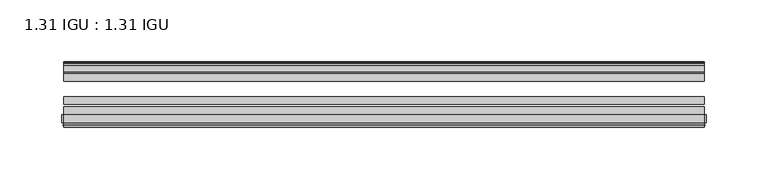
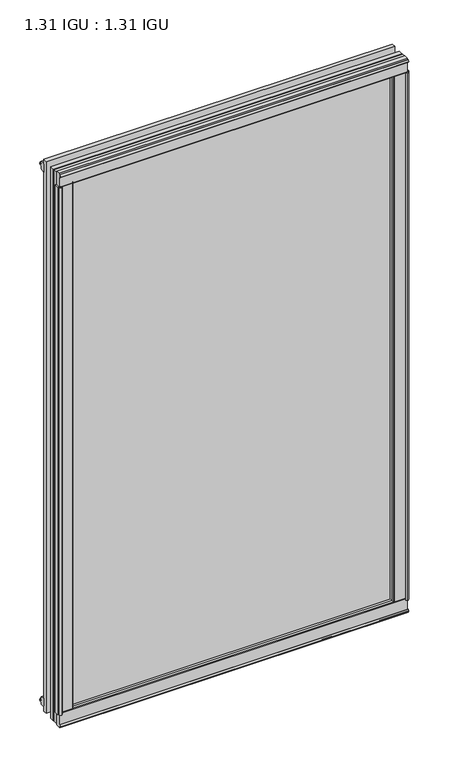
"""IFC4 building model written with IfcOpenShell, lengths in millimetres: plate geometry, 1.31 IGU : 1.31 IGU."""

import ifcopenshell
import ifcopenshell.guid

model = None  # the IFC model being written
_history = None  # IfcOwnerHistory: only IFC2X3 demands one
_inside = {}  # id of a spatial element -> (the spatial element, [elements in it])
_under = {}  # id of a project, library or spatial element -> (it, [spatial elements below it])
_declared = {}  # id of a project -> (the project, [libraries it declares])
_typed = {}  # id of a type object -> (the type object, [elements of that type])
_made_of = {}  # id of a material, layer set ... -> (it, [elements and type objects made of it])


def new_model(schema):
    """Start an empty IFC model of exactly this schema.

    Asked for "IFC4X3", IfcOpenShell would pick the latest addendum, in which some entities
    have other attributes; the version numbers below select the first issue.
    IFC2X3 requires an IfcOwnerHistory on every rooted entity: one is made here for all.
    """
    global model, _history
    if schema == "IFC4X3":
        model = ifcopenshell.file(schema_version=(4, 3, 0, 0))
    else:
        model = ifcopenshell.file(schema=schema)
    _inside.clear()
    _under.clear()
    _declared.clear()
    _typed.clear()
    _made_of.clear()
    _history = None
    if model.schema == "IFC2X3":
        org = make("IfcOrganization", Name="unknown")
        user = make(
            "IfcPersonAndOrganization",
            ThePerson=make("IfcPerson", FamilyName="unknown"),
            TheOrganization=org,
        )
        app = make(
            "IfcApplication",
            ApplicationDeveloper=org,
            Version="unknown",
            ApplicationFullName="unknown",
            ApplicationIdentifier="unknown",
        )
        _history = make(
            "IfcOwnerHistory",
            OwningUser=user,
            OwningApplication=app,
            ChangeAction="ADDED",
            CreationDate=0,
        )
    return model


def make(cls, **values):
    """One entity of the class cls with the attributes given. An attribute that is None is left unset."""
    return model.create_entity(
        cls, **{name: value for name, value in values.items() if value is not None}
    )


def rooted(cls, **values):
    """An entity with a GlobalId (a new one), such as an element, a storey or a relation."""
    return make(cls, GlobalId=ifcopenshell.guid.new(), OwnerHistory=_history, **values)


def si_unit(unit_type, name, prefix=None):
    """IfcSIUnit, for example si_unit("LENGTHUNIT", "METRE", prefix="MILLI")."""
    return make("IfcSIUnit", UnitType=unit_type, Prefix=prefix, Name=name)


def assignment(units):
    """IfcUnitAssignment: the units of a project."""
    return None if units is None else make("IfcUnitAssignment", Units=units)


def point(xyz):
    """IfcCartesianPoint."""
    return None if xyz is None else make("IfcCartesianPoint", Coordinates=xyz)


def direction(xyz):
    """IfcDirection."""
    return None if xyz is None else make("IfcDirection", DirectionRatios=xyz)


def frame(location, z_axis=None, x_axis=None):
    """IfcAxis2Placement3D, a coordinate frame: its origin and axes. An axis left out is left unset."""
    return make(
        "IfcAxis2Placement3D",
        Location=point(location),
        Axis=direction(z_axis),
        RefDirection=direction(x_axis),
    )


def frame_2d(location, x_axis=None):
    """IfcAxis2Placement2D, a coordinate frame in the plane: its origin and x axis."""
    return make(
        "IfcAxis2Placement2D", Location=point(location), RefDirection=direction(x_axis)
    )


def origin():
    """The frame at (0, 0, 0) with its axes left unset."""
    return frame((0.0, 0.0, 0.0))


def origin_with_axes():
    """The frame at (0, 0, 0) with the z axis (0, 0, 1) and the x axis (1, 0, 0) written out."""
    return frame((0.0, 0.0, 0.0), z_axis=(0.0, 0.0, 1.0), x_axis=(1.0, 0.0, 0.0))


def place(relative_to, where):
    """IfcLocalPlacement: puts the frame where relative to a parent placement (None: the world)."""
    return make(
        "IfcLocalPlacement", PlacementRelTo=relative_to, RelativePlacement=where
    )


def context(
    kind, dimensions, precision=None, world=None, true_north=None, identifier=None
):
    """IfcGeometricRepresentationContext, for example the 3D "Model" context."""
    return make(
        "IfcGeometricRepresentationContext",
        ContextIdentifier=identifier,
        ContextType=kind,
        CoordinateSpaceDimension=dimensions,
        Precision=precision,
        WorldCoordinateSystem=world,
        TrueNorth=true_north,
    )


def project(units=None, contexts=None):
    """IfcProject with its units and contexts."""
    return rooted(
        "IfcProject",
        Name="project",
        RepresentationContexts=contexts,
        UnitsInContext=assignment(units),
    )


def spatial(cls, under=None, at=None, **own):
    """A site, building, storey or space (cls), placed at a placement, below another one or the project."""
    s = rooted(cls, ObjectPlacement=at, **own)
    if under is not None:
        _under.setdefault(under.id(), (under, []))[1].append(s)
    return s


def polyline(points):
    """IfcPolyline through the points."""
    return make("IfcPolyline", Points=[point(p) for p in points])


def circle_curve(where, radius):
    """IfcCircle in the frame where."""
    return make("IfcCircle", Position=where, Radius=radius)


def trimmed(basis, trim1, trim2, sense, master):
    """IfcTrimmedCurve: the piece of a basis curve between two trims."""
    return make(
        "IfcTrimmedCurve",
        BasisCurve=basis,
        Trim1=trim1,
        Trim2=trim2,
        SenseAgreement=sense,
        MasterRepresentation=master,
    )


def segment(curve, same_sense, transition):
    """IfcCompositeCurveSegment."""
    return make(
        "IfcCompositeCurveSegment",
        Transition=transition,
        SameSense=same_sense,
        ParentCurve=curve,
    )


def composite_curve(segments, self_intersect=None):
    """IfcCompositeCurve: segments joined end to end."""
    return make("IfcCompositeCurve", Segments=segments, SelfIntersect=self_intersect)


def outline(outer, holes=None, kind="AREA"):
    """IfcArbitraryClosedProfileDef: a profile drawn as a closed curve; with holes, ...WithVoids."""
    if holes is None:
        return make("IfcArbitraryClosedProfileDef", ProfileType=kind, OuterCurve=outer)
    return make(
        "IfcArbitraryProfileDefWithVoids",
        ProfileType=kind,
        OuterCurve=outer,
        InnerCurves=holes,
    )


def extrude(swept, where, along, depth):
    """IfcExtrudedAreaSolid: the profile swept, set in the frame where, extruded along a direction by depth."""
    return make(
        "IfcExtrudedAreaSolid",
        SweptArea=swept,
        Position=where,
        ExtrudedDirection=direction(along),
        Depth=depth,
    )


def shape(context_of_items, identifier, shape_type, items):
    """IfcShapeRepresentation: the items that make up one representation, for example the "Body"."""
    return make(
        "IfcShapeRepresentation",
        ContextOfItems=context_of_items,
        RepresentationIdentifier=identifier,
        RepresentationType=shape_type,
        Items=items,
    )


def source(mapping_origin, context_of_items, identifier, shape_type, items):
    """IfcRepresentationMap: a shape defined once, which mapped items show again and again."""
    return make(
        "IfcRepresentationMap",
        MappingOrigin=mapping_origin,
        MappedRepresentation=shape(context_of_items, identifier, shape_type, items),
    )


def transform(
    local_origin,
    x_axis=None,
    y_axis=None,
    z_axis=None,
    scale=None,
    scale2=None,
    scale3=None,
    uniform=True,
):
    """IfcCartesianTransformationOperator3D, or its non-uniform kind. x_axis, y_axis, z_axis: its Axis1, 2, 3."""
    if uniform:
        return make(
            "IfcCartesianTransformationOperator3D",
            Axis1=direction(x_axis),
            Axis2=direction(y_axis),
            LocalOrigin=point(local_origin),
            Scale=scale,
            Axis3=direction(z_axis),
        )
    return make(
        "IfcCartesianTransformationOperator3DnonUniform",
        Axis1=direction(x_axis),
        Axis2=direction(y_axis),
        LocalOrigin=point(local_origin),
        Scale=scale,
        Axis3=direction(z_axis),
        Scale2=scale2,
        Scale3=scale3,
    )


def mapped(mapping_source, mapping_target):
    """IfcMappedItem: shows the shape of a source again, moved by a transform."""
    return make(
        "IfcMappedItem", MappingSource=mapping_source, MappingTarget=mapping_target
    )


def made_of(thing, what):
    """Note that an element or type object is made of a material, layer set ...; save() writes the relation."""
    if what is not None:
        _made_of.setdefault(what.id(), (what, []))[1].append(thing)
    return thing


def element(
    cls,
    number,
    at=None,
    inside=None,
    cuts=None,
    type_object=None,
    material=None,
    context=None,
    identifier="Body",
    shape_type=None,
    held_by="IfcProductDefinitionShape",
    body=None,
    shapes=None,
    **own,
):
    """One element of the class cls, such as IfcWall. Its Tag is "e" and its number.

    at: its placement. inside: the storey or other place that contains it. cuts: it is an
    opening in that element (IfcRelVoidsElement). A single representation is given by context,
    identifier, shape_type and body (its items); several are given by shapes. held_by: the class
    of the entity that holds the representations. save() writes the other relations.
    """
    e = rooted(cls, Tag="e%d" % number, ObjectPlacement=at, **own)
    if body is not None:
        shapes = [shape(context, identifier, shape_type, body)]
    if shapes is not None:
        e.Representation = make(held_by, Representations=shapes)
    if inside is not None:
        _inside.setdefault(inside.id(), (inside, []))[1].append(e)
    if cuts is not None:
        rooted(
            "IfcRelVoidsElement", RelatingBuildingElement=cuts, RelatedOpeningElement=e
        )
    if type_object is not None:
        _typed.setdefault(type_object.id(), (type_object, []))[1].append(e)
    return made_of(e, material)


def aggregate(whole, parts):
    """IfcRelAggregates: a whole, such as a stair, and the parts it consists of."""
    return rooted("IfcRelAggregates", RelatingObject=whole, RelatedObjects=parts)


def save(model, path):
    """Write the relations noted so far, then the file.

    IfcRelAggregates (storeys below a building ...), IfcRelContainedInSpatialStructure (elements
    in a storey), IfcRelDefinesByType, IfcRelAssociatesMaterial and IfcRelDeclares: one each for
    every whole, place, type object, material and project.
    """
    for whole, parts in _under.values():
        aggregate(whole, parts)
    for where, things in _inside.values():
        rooted(
            "IfcRelContainedInSpatialStructure",
            RelatedElements=things,
            RelatingStructure=where,
        )
    for kind, things in _typed.values():
        rooted("IfcRelDefinesByType", RelatedObjects=things, RelatingType=kind)
    for what, things in _made_of.values():
        rooted("IfcRelAssociatesMaterial", RelatedObjects=things, RelatingMaterial=what)
    for by, libraries in _declared.values():
        rooted("IfcRelDeclares", RelatingContext=by, RelatedDefinitions=libraries)
    model.write(path)


def plate_1_31_igu_1_31_igu_145a5600(model_context):
    return source(origin(), model_context, "Body", "SweptSolid", [
        extrude(outline(polyline([(247.1273568, -11.1943457), (245.7253235, -11.5700195), (245.4952333, -10.7113114), (247.9082333, -10.06475), (250.3212333, -10.7113114), (250.0911432, -11.5700195), (248.6891098, -11.1943457), (249.3052333, -13.49375), (252.9838074, -13.49375), (252.9838074, -18.1284104), (251.5551628, -19.84375), (239.8424921, -19.84375), (241.5582333, -13.49375), (246.5112333, -13.49375), (247.1273568, -11.1943457)])), origin_with_axes(), (0.0, 0.0, 1.0), 831.85),
        extrude(outline(polyline([(-247.1273568, -11.1943457), (-246.5112333, -13.49375), (-241.5582333, -13.49375), (-239.8424921, -19.84375), (-251.5551628, -19.84375), (-252.9838074, -18.1284104), (-252.9838074, -13.49375), (-249.3052333, -13.49375), (-248.6891098, -11.1943457), (-250.0911432, -11.5700195), (-250.3212333, -10.7113114), (-247.9082333, -10.06475), (-245.4952333, -10.7113114), (-245.7253235, -11.5700195), (-247.1273568, -11.1943457)])), origin_with_axes(), (0.0, 0.0, 1.0), 831.85),
        extrude(outline(polyline([(-13.49375, -5.7276998), (-11.1943457, -6.3438233), (-11.5700195, -4.9417899), (-10.7113114, -4.7116998), (-10.06475, -7.1246998), (-10.7113114, -9.5376998), (-11.5700195, -9.3076097), (-11.1943457, -7.9055763), (-13.49375, -8.5216998), (-13.49375, -12.2002739), (-18.1284104, -12.2002739), (-19.84375, -10.7716292), (-19.84375, 0.9410414), (-13.49375, -0.7746998), (-13.49375, -5.7276998)])), frame((-259.8208333, 0.0, 0.0), z_axis=(1.0, 0.0, 0.0), x_axis=(0.0, 1.0, 0.0)), (0.0, 0.0, 1.0), 519.6416667),
        extrude(outline(composite_curve([segment(polyline([(-55.9719113, 2.457708), (-53.16855, 3.0868452), (-53.16855, -20.9097918), (-59.51855, -20.9097918), (-59.51855, -18.6868471), (-62.0391488, -18.0752025), (-61.5965021, -19.0933159), (-61.5965021, -19.98942), (-63.2729251, -17.4063265), (-61.3290281, -15.2058028), (-61.3290281, -16.0360741), (-61.9417436, -16.9618553), (-59.51855, -16.8077164), (-59.51855, 0.6826418)]), True, "CONTINUOUS"), segment(trimmed(circle_curve(frame_2d((-58.24855, 0.6826418)), 1.27), [point((-59.51855, 0.6826418))], [point((-58.6007815, 1.9028193))], False, "CARTESIAN"), True, "CONTINUOUS"), segment(polyline([(-58.6007815, 1.9028193), (-55.9719113, 2.457708)]), True, "CONTINUOUS")], self_intersect=False)), frame((-259.8208333, 0.0, 0.0), z_axis=(1.0, 0.0, 0.0), x_axis=(0.0, 1.0, 0.0)), (0.0, 0.0, 1.0), 519.6416667),
        extrude(outline(polyline([(-13.49375, 837.5776998), (-13.49375, 832.6246998), (-19.84375, 830.9089586), (-19.84375, 842.6216292), (-18.1284104, 844.0502739), (-13.49375, 844.0502739), (-13.49375, 840.3716998), (-11.1943457, 839.7555763), (-11.5700195, 841.1576097), (-10.7113114, 841.3876998), (-10.06475, 838.9746998), (-10.7113114, 836.5616998), (-11.5700195, 836.7917899), (-11.1943457, 838.1938233), (-13.49375, 837.5776998)])), frame((-259.8208333, 0.0, 0.0), z_axis=(1.0, 0.0, 0.0), x_axis=(0.0, 1.0, 0.0)), (0.0, 0.0, 1.0), 519.6416667),
        extrude(outline(composite_curve([segment(polyline([(-55.9719113, 829.392292), (-58.6007815, 829.9471807)]), True, "CONTINUOUS"), segment(trimmed(circle_curve(frame_2d((-58.24855, 831.1673582)), 1.27), [point((-58.6007815, 829.9471807))], [point((-59.51855, 831.1673582))], False, "CARTESIAN"), True, "CONTINUOUS"), segment(polyline([(-59.51855, 831.1673582), (-59.51855, 848.6577164), (-61.9417436, 848.8118553), (-61.3290281, 847.8860741), (-61.3290281, 847.0558028), (-63.2729251, 849.2563265), (-61.5965021, 851.83942), (-61.5965021, 850.9433159), (-62.0391488, 849.9252025), (-59.51855, 850.5368471), (-59.51855, 852.7597918), (-53.16855, 852.7597918), (-53.16855, 828.7631548), (-55.9719113, 829.392292)]), True, "CONTINUOUS")], self_intersect=False)), frame((-259.8208333, 0.0, 0.0), z_axis=(1.0, 0.0, 0.0), x_axis=(0.0, 1.0, 0.0)), (0.0, 0.0, 1.0), 519.6416667),
        extrude(outline(composite_curve([segment(polyline([(-258.18986, -63.2729251), (-260.7729535, -61.5965021), (-259.8768494, -61.5965021), (-258.858736, -62.0391488), (-259.4703806, -59.51855), (-261.6933253, -59.51855), (-261.6933253, -53.16855), (-237.6966884, -53.16855), (-238.3258256, -55.9719113), (-238.8807143, -58.6007815)]), True, "CONTINUOUS"), segment(trimmed(circle_curve(frame_2d((-240.1008917, -58.24855)), 1.27), [point((-238.8807143, -58.6007815))], [point((-240.1008917, -59.51855))], False, "CARTESIAN"), True, "CONTINUOUS"), segment(polyline([(-240.1008917, -59.51855), (-257.59125, -59.51855), (-257.7453888, -61.9417436), (-256.8196076, -61.3290281), (-256.0080796, -61.3290281), (-258.18986, -63.2729251)]), True, "CONTINUOUS")], self_intersect=False)), origin_with_axes(), (0.0, 0.0, 1.0), 831.85),
        extrude(outline(composite_curve([segment(polyline([(258.18986, -63.2729251), (256.0080796, -61.3290281), (256.8196076, -61.3290281), (257.7453888, -61.9417436), (257.59125, -59.51855), (240.1008917, -59.51855)]), True, "CONTINUOUS"), segment(trimmed(circle_curve(frame_2d((240.1008917, -58.24855)), 1.27), [point((240.1008917, -59.51855))], [point((238.8807143, -58.6007815))], False, "CARTESIAN"), True, "CONTINUOUS"), segment(polyline([(238.8807143, -58.6007815), (238.3258256, -55.9719113), (237.6966884, -53.16855), (261.6933253, -53.16855), (261.6933253, -59.51855), (259.4703806, -59.51855), (258.858736, -62.0391488), (259.8768494, -61.5965021), (260.7729535, -61.5965021), (258.18986, -63.2729251)]), True, "CONTINUOUS")], self_intersect=False)), origin_with_axes(), (0.0, 0.0, 1.0), 831.85),
        extrude(outline(polyline([(259.8208333, -19.84375), (259.8208333, -26.14295), (-259.8208333, -26.14295), (-259.8208333, -19.84375), (259.8208333, -19.84375)])), frame((0.0, 0.0, -19.05), z_axis=(0.0, 0.0, 1.0), x_axis=(1.0, 0.0, 0.0)), (0.0, 0.0, 1.0), 869.95),
        extrude(outline(polyline([(-259.8208333, -44.83735), (-259.8208333, -38.53815), (259.8208333, -38.53815), (259.8208333, -44.83735), (-259.8208333, -44.83735)])), frame((0.0, 0.0, -19.05), z_axis=(0.0, 0.0, 1.0), x_axis=(1.0, 0.0, 0.0)), (0.0, 0.0, 1.0), 869.95),
        extrude(outline(polyline([(-259.8208333, -53.16855), (-259.8208333, -46.86935), (259.8208333, -46.86935), (259.8208333, -53.16855), (-259.8208333, -53.16855)])), frame((0.0, 0.0, -19.05), z_axis=(0.0, 0.0, 1.0), x_axis=(1.0, 0.0, 0.0)), (0.0, 0.0, 1.0), 869.95),
    ])


if __name__ == "__main__":
    model = new_model("IFC4")
    model_context = context("Model", 3, world=origin())
    ifc_project = project(units=[si_unit("LENGTHUNIT", "METRE", prefix="MILLI")], contexts=[model_context])
    site = spatial("IfcSite", under=ifc_project)
    building = spatial("IfcBuilding", under=site)
    placement = place(None, origin())
    plate_1_31_igu_1_31_igu_shape = plate_1_31_igu_1_31_igu_145a5600(model_context)
    element("IfcPlate", 1, ObjectType="1.31 IGU : 1.31 IGU", at=placement, inside=building, context=model_context, shape_type="MappedRepresentation", body=[
        mapped(plate_1_31_igu_1_31_igu_shape, transform((0.0, 0.0, 0.0), x_axis=(1.0, 0.0, 0.0), y_axis=(0.0, 1.0, 0.0), z_axis=(0.0, 0.0, 1.0))),
    ])
    save(model, "model.ifc")
